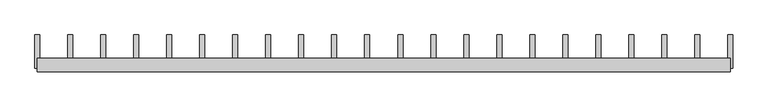
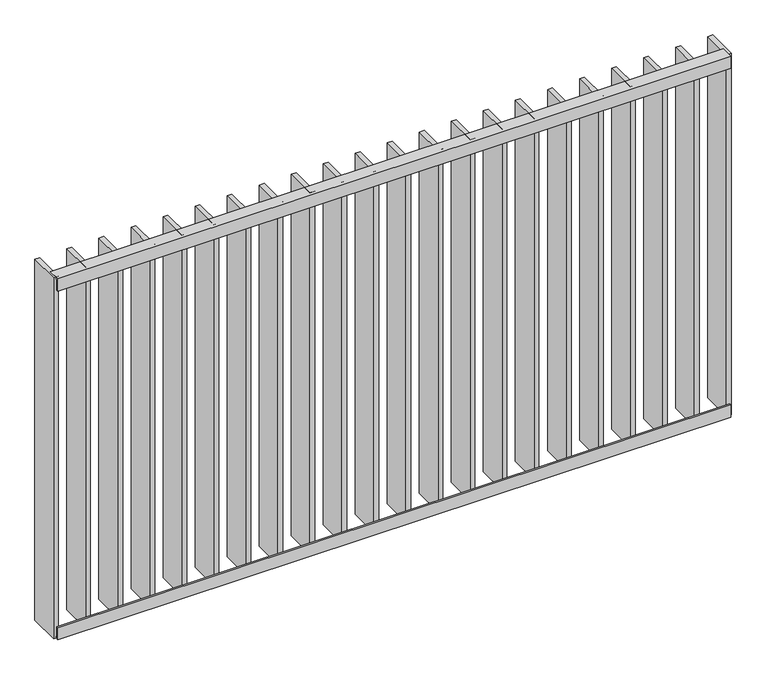
"""IFC4 building model written with IfcOpenShell, lengths in millimetres: railing geometry."""

from ifc_helpers import new_model, si_unit, frame, origin, place, context, project, spatial, polyline, outline, extrude, source, transform, mapped, element, save


def railing_a707fc0a(model_context):
    return source(origin(), model_context, "Body", "SweptSolid", [
        extrude(outline(polyline([(24956.9194272, 7994.0), (24956.9194272, 7960.0), (24950.9194272, 7960.0), (24950.9194272, 8000.0), (24990.9194272, 8000.0), (24990.9194272, 7994.0), (24956.9194272, 7994.0)])), frame((42609.5112278, 0.0, 0.0), z_axis=(1.0, 0.0, 0.0), x_axis=(0.0, 1.0, 0.0)), (0.0, 0.0, 1.0), 2080.0),
        extrude(outline(polyline([(24956.9194272, 6826.0), (24990.9194272, 6826.0), (24990.9194272, 6820.0), (24950.9194272, 6820.0), (24950.9194272, 6860.0), (24956.9194272, 6860.0), (24956.9194272, 6826.0)])), frame((42609.5112278, 0.0, 0.0), z_axis=(1.0, 0.0, 0.0), x_axis=(0.0, 1.0, 0.0)), (0.0, 0.0, 1.0), 2080.0),
        extrude(outline(polyline([(44582.9636088, 24960.9194272), (44582.9636088, 25060.9194272), (44597.9636088, 25060.9194272), (44597.9636088, 24960.9194272), (44582.9636088, 24960.9194272)])), frame((0.0, 0.0, 6819.9), z_axis=(0.0, 0.0, 1.0), x_axis=(1.0, 0.0, 0.0)), (0.0, 0.0, 1.0), 1180.2),
        extrude(outline(polyline([(44483.9159897, 24960.9194272), (44483.9159897, 25060.9194272), (44498.9159897, 25060.9194272), (44498.9159897, 24960.9194272), (44483.9159897, 24960.9194272)])), frame((0.0, 0.0, 6819.9), z_axis=(0.0, 0.0, 1.0), x_axis=(1.0, 0.0, 0.0)), (0.0, 0.0, 1.0), 1180.2),
        extrude(outline(polyline([(44384.8683707, 24960.9194272), (44384.8683707, 25060.9194272), (44399.8683707, 25060.9194272), (44399.8683707, 24960.9194272), (44384.8683707, 24960.9194272)])), frame((0.0, 0.0, 6819.9), z_axis=(0.0, 0.0, 1.0), x_axis=(1.0, 0.0, 0.0)), (0.0, 0.0, 1.0), 1180.2),
        extrude(outline(polyline([(44285.8207516, 24960.9194272), (44285.8207516, 25060.9194272), (44300.8207516, 25060.9194272), (44300.8207516, 24960.9194272), (44285.8207516, 24960.9194272)])), frame((0.0, 0.0, 6819.9), z_axis=(0.0, 0.0, 1.0), x_axis=(1.0, 0.0, 0.0)), (0.0, 0.0, 1.0), 1180.2),
        extrude(outline(polyline([(44186.7731326, 24960.9194272), (44186.7731326, 25060.9194272), (44201.7731326, 25060.9194272), (44201.7731326, 24960.9194272), (44186.7731326, 24960.9194272)])), frame((0.0, 0.0, 6819.9), z_axis=(0.0, 0.0, 1.0), x_axis=(1.0, 0.0, 0.0)), (0.0, 0.0, 1.0), 1180.2),
        extrude(outline(polyline([(44087.7255135, 24960.9194272), (44087.7255135, 25060.9194272), (44102.7255135, 25060.9194272), (44102.7255135, 24960.9194272), (44087.7255135, 24960.9194272)])), frame((0.0, 0.0, 6819.9), z_axis=(0.0, 0.0, 1.0), x_axis=(1.0, 0.0, 0.0)), (0.0, 0.0, 1.0), 1180.2),
        extrude(outline(polyline([(43988.6778945, 24960.9194272), (43988.6778945, 25060.9194272), (44003.6778945, 25060.9194272), (44003.6778945, 24960.9194272), (43988.6778945, 24960.9194272)])), frame((0.0, 0.0, 6819.9), z_axis=(0.0, 0.0, 1.0), x_axis=(1.0, 0.0, 0.0)), (0.0, 0.0, 1.0), 1180.2),
        extrude(outline(polyline([(43889.6302754, 24960.9194272), (43889.6302754, 25060.9194272), (43904.6302754, 25060.9194272), (43904.6302754, 24960.9194272), (43889.6302754, 24960.9194272)])), frame((0.0, 0.0, 6819.9), z_axis=(0.0, 0.0, 1.0), x_axis=(1.0, 0.0, 0.0)), (0.0, 0.0, 1.0), 1180.2),
        extrude(outline(polyline([(43790.5826564, 24960.9194272), (43790.5826564, 25060.9194272), (43805.5826564, 25060.9194272), (43805.5826564, 24960.9194272), (43790.5826564, 24960.9194272)])), frame((0.0, 0.0, 6819.9), z_axis=(0.0, 0.0, 1.0), x_axis=(1.0, 0.0, 0.0)), (0.0, 0.0, 1.0), 1180.2),
        extrude(outline(polyline([(43691.5350373, 24960.9194272), (43691.5350373, 25060.9194272), (43706.5350373, 25060.9194272), (43706.5350373, 24960.9194272), (43691.5350373, 24960.9194272)])), frame((0.0, 0.0, 6819.9), z_axis=(0.0, 0.0, 1.0), x_axis=(1.0, 0.0, 0.0)), (0.0, 0.0, 1.0), 1180.2),
        extrude(outline(polyline([(43592.4874183, 24960.9194272), (43592.4874183, 25060.9194272), (43607.4874183, 25060.9194272), (43607.4874183, 24960.9194272), (43592.4874183, 24960.9194272)])), frame((0.0, 0.0, 6819.9), z_axis=(0.0, 0.0, 1.0), x_axis=(1.0, 0.0, 0.0)), (0.0, 0.0, 1.0), 1180.2),
        extrude(outline(polyline([(43493.4397992, 24960.9194272), (43493.4397992, 25060.9194272), (43508.4397992, 25060.9194272), (43508.4397992, 24960.9194272), (43493.4397992, 24960.9194272)])), frame((0.0, 0.0, 6819.9), z_axis=(0.0, 0.0, 1.0), x_axis=(1.0, 0.0, 0.0)), (0.0, 0.0, 1.0), 1180.2),
        extrude(outline(polyline([(43394.3921802, 24960.9194272), (43394.3921802, 25060.9194272), (43409.3921802, 25060.9194272), (43409.3921802, 24960.9194272), (43394.3921802, 24960.9194272)])), frame((0.0, 0.0, 6819.9), z_axis=(0.0, 0.0, 1.0), x_axis=(1.0, 0.0, 0.0)), (0.0, 0.0, 1.0), 1180.2),
        extrude(outline(polyline([(43295.3445611, 24960.9194272), (43295.3445611, 25060.9194272), (43310.3445611, 25060.9194272), (43310.3445611, 24960.9194272), (43295.3445611, 24960.9194272)])), frame((0.0, 0.0, 6819.9), z_axis=(0.0, 0.0, 1.0), x_axis=(1.0, 0.0, 0.0)), (0.0, 0.0, 1.0), 1180.2),
        extrude(outline(polyline([(43196.2969421, 24960.9194272), (43196.2969421, 25060.9194272), (43211.2969421, 25060.9194272), (43211.2969421, 24960.9194272), (43196.2969421, 24960.9194272)])), frame((0.0, 0.0, 6819.9), z_axis=(0.0, 0.0, 1.0), x_axis=(1.0, 0.0, 0.0)), (0.0, 0.0, 1.0), 1180.2),
        extrude(outline(polyline([(43097.249323, 24960.9194272), (43097.249323, 25060.9194272), (43112.249323, 25060.9194272), (43112.249323, 24960.9194272), (43097.249323, 24960.9194272)])), frame((0.0, 0.0, 6819.9), z_axis=(0.0, 0.0, 1.0), x_axis=(1.0, 0.0, 0.0)), (0.0, 0.0, 1.0), 1180.2),
        extrude(outline(polyline([(42998.201704, 24960.9194272), (42998.201704, 25060.9194272), (43013.201704, 25060.9194272), (43013.201704, 24960.9194272), (42998.201704, 24960.9194272)])), frame((0.0, 0.0, 6819.9), z_axis=(0.0, 0.0, 1.0), x_axis=(1.0, 0.0, 0.0)), (0.0, 0.0, 1.0), 1180.2),
        extrude(outline(polyline([(42899.1540849, 24960.9194272), (42899.1540849, 25060.9194272), (42914.1540849, 25060.9194272), (42914.1540849, 24960.9194272), (42899.1540849, 24960.9194272)])), frame((0.0, 0.0, 6819.9), z_axis=(0.0, 0.0, 1.0), x_axis=(1.0, 0.0, 0.0)), (0.0, 0.0, 1.0), 1180.2),
        extrude(outline(polyline([(42800.1064659, 24960.9194272), (42800.1064659, 25060.9194272), (42815.1064659, 25060.9194272), (42815.1064659, 24960.9194272), (42800.1064659, 24960.9194272)])), frame((0.0, 0.0, 6819.9), z_axis=(0.0, 0.0, 1.0), x_axis=(1.0, 0.0, 0.0)), (0.0, 0.0, 1.0), 1180.2),
        extrude(outline(polyline([(42701.0588468, 24960.9194272), (42701.0588468, 25060.9194272), (42716.0588468, 25060.9194272), (42716.0588468, 24960.9194272), (42701.0588468, 24960.9194272)])), frame((0.0, 0.0, 6819.9), z_axis=(0.0, 0.0, 1.0), x_axis=(1.0, 0.0, 0.0)), (0.0, 0.0, 1.0), 1180.2),
        extrude(outline(polyline([(44682.0112278, 24960.9194272), (44682.0112278, 25060.9194272), (44697.0112278, 25060.9194272), (44697.0112278, 24960.9194272), (44682.0112278, 24960.9194272)])), frame((0.0, 0.0, 6819.9), z_axis=(0.0, 0.0, 1.0), x_axis=(1.0, 0.0, 0.0)), (0.0, 0.0, 1.0), 1180.2),
        extrude(outline(polyline([(42602.0112278, 24960.9194272), (42602.0112278, 25060.9194272), (42617.0112278, 25060.9194272), (42617.0112278, 24960.9194272), (42602.0112278, 24960.9194272)])), frame((0.0, 0.0, 6819.9), z_axis=(0.0, 0.0, 1.0), x_axis=(1.0, 0.0, 0.0)), (0.0, 0.0, 1.0), 1180.2),
    ])


if __name__ == "__main__":
    model = new_model("IFC4")
    model_context = context("Model", 3, world=origin())
    ifc_project = project(units=[si_unit("LENGTHUNIT", "METRE", prefix="MILLI")], contexts=[model_context])
    site = spatial("IfcSite", under=ifc_project)
    building = spatial("IfcBuilding", under=site)
    placement = place(None, origin())
    railing_shape = railing_a707fc0a(model_context)
    element("IfcRailing", 1, at=placement, inside=building, context=model_context, shape_type="MappedRepresentation", body=[
        mapped(railing_shape, transform((0.0, 0.0, 0.0), x_axis=(1.0, 0.0, 0.0), y_axis=(0.0, 1.0, 0.0), z_axis=(0.0, 0.0, 1.0))),
    ])
    save(model, "model.ifc")
